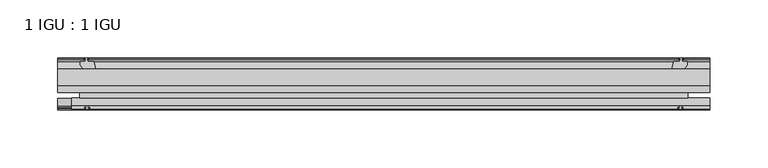
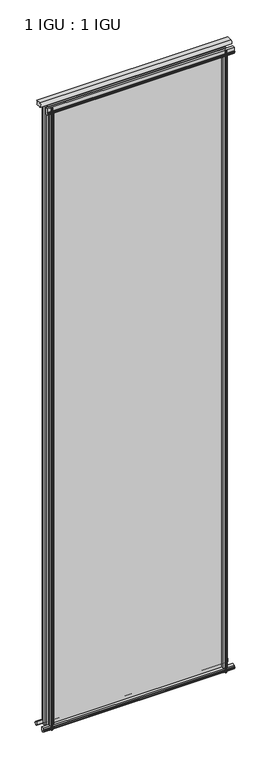
"""IFC4 building model written with IfcOpenShell, lengths in millimetres: plate geometry, 1 IGU : 1 IGU."""

from ifc_helpers import new_model, si_unit, point, frame, frame_2d, origin, place, context, project, spatial, polyline, circle_curve, trimmed, segment, composite_curve, outline, extrude, source, transform, mapped, element, save


def plate_1_igu_1_igu_069ce1c6(model_context):
    return source(origin(), model_context, "Body", "SweptSolid", [
        extrude(outline(polyline([(-263.5250001, -38.6468937), (263.5250001, -38.6468937), (263.5250001, -44.9460938), (-263.5250001, -44.9460938), (-263.5250001, -38.6468937)])), frame((0.0, 0.0, -12.7), z_axis=(0.0, 0.0, 1.0), x_axis=(1.0, 0.0, 0.0)), (0.0, 0.0, 1.0), 1944.7764181),
        extrude(outline(polyline([(-263.5250001, -19.5460937), (263.5250001, -19.5460937), (263.5250001, -25.8960938), (-263.5250001, -25.8960938), (-263.5250001, -19.5460937)])), frame((0.0, 0.0, -12.7), z_axis=(0.0, 0.0, 1.0), x_axis=(1.0, 0.0, 0.0)), (0.0, 0.0, 1.0), 1944.7764181),
        extrude(outline(polyline([(-44.9460937, 1.7177181), (-44.9460937, -9.1036578), (-48.3496937, -11.938), (-51.2960937, -11.938), (-51.2960937, -7.493), (-53.6762907, -7.112), (-53.2163575, -8.5275291), (-54.0175717, -8.5275291), (-54.7250937, -6.35), (-54.0175717, -4.1724709), (-53.2163575, -4.1724709), (-53.6762907, -5.588), (-51.2960937, -5.207), (-51.2960937, 0.0), (-44.9460937, 1.7177181)])), frame((-282.5750001, 0.0, 0.0), z_axis=(1.0, 0.0, 0.0), x_axis=(0.0, 1.0, 0.0)), (0.0, 0.0, 1.0), 565.1500002),
        extrude(outline(polyline([(-13.1960937, -12.4587), (-16.1424937, -12.4587), (-19.5460937, -9.6243578), (-19.5460937, 1.1970181), (-13.1960937, -0.5207), (-13.1960937, -5.7277), (-10.8158968, -6.1087), (-11.27583, -4.6931709), (-10.4746158, -4.6931709), (-9.7670937, -6.8707), (-10.4746158, -9.0482291), (-11.27583, -9.0482291), (-10.8158968, -7.6327), (-13.1960937, -8.0137), (-13.1960937, -12.4587)])), frame((-282.5750001, 0.0, 0.0), z_axis=(1.0, 0.0, 0.0), x_axis=(0.0, 1.0, 0.0)), (0.0, 0.0, 1.0), 565.1500002),
        extrude(outline(composite_curve([segment(polyline([(-44.9380025, 1912.9385159), (-51.2960937, 1912.9385159), (-51.2960937, 1917.7645159), (-54.1955564, 1917.7645159), (-54.8194621, 1918.7418083)]), True, "CONTINUOUS"), segment(trimmed(circle_curve(frame_2d((-53.9630937, 1919.2885159)), 1.016), [point((-54.8194621, 1918.7418083))], [point((-54.8194621, 1919.8352235))], False, "CARTESIAN"), True, "CONTINUOUS"), segment(polyline([(-54.8194621, 1919.8352235), (-54.1955564, 1920.8125159), (-51.2878033, 1920.8125159), (-51.2916866, 1931.9771994), (-44.9380025, 1931.9771994), (-44.9380025, 1912.9385159)]), True, "CONTINUOUS")], self_intersect=False)), frame((-270.3172939, 0.0, 0.0), z_axis=(1.0, 0.0, 0.0), x_axis=(0.0, 1.0, 0.0)), (0.0, 0.0, 1.0), 552.892294),
        extrude(outline(polyline([(249.627982, -19.5460938), (251.3457001, -13.1960938), (256.5527001, -13.1960938), (256.9337001, -10.8158968), (255.518171, -11.27583), (255.518171, -10.4746158), (257.6957001, -9.7670938), (259.8732291, -10.4746158), (259.8732291, -11.27583), (258.4577001, -10.8158968), (258.8387001, -13.1960938), (263.2837001, -13.1960938), (263.2837001, -16.1424938), (260.4493579, -19.5460938), (249.627982, -19.5460938)])), frame((0.0, 0.0, -12.7), z_axis=(0.0, 0.0, 1.0), x_axis=(1.0, 0.0, 0.0)), (0.0, 0.0, 1.0), 1944.7764183),
        extrude(outline(polyline([(249.107282, -44.9460938), (259.9286579, -44.9460938), (262.7630001, -48.3496938), (262.7630001, -51.2960938), (258.3180001, -51.2960938), (257.9370001, -53.6762907), (259.3525291, -53.2163575), (259.3525291, -54.0175717), (257.1750001, -54.7250938), (254.997471, -54.0175717), (254.997471, -53.2163575), (256.4130001, -53.6762907), (256.0320001, -51.2960938), (250.8250001, -51.2960938), (249.107282, -44.9460938)])), frame((0.0, 0.0, -12.7), z_axis=(0.0, 0.0, 1.0), x_axis=(1.0, 0.0, 0.0)), (0.0, 0.0, 1.0), 1944.7764183),
        extrude(outline(polyline([(-257.6957001, -9.7670937), (-255.518171, -10.4746158), (-255.518171, -11.27583), (-256.9337001, -10.8158968), (-256.5527001, -13.1960937), (-251.3457001, -13.1960937), (-249.627982, -19.5460937), (-260.4493579, -19.5460937), (-263.2837001, -16.1424937), (-263.2837001, -13.1960937), (-258.8387001, -13.1960937), (-258.4577001, -10.8158968), (-259.8732291, -11.27583), (-259.8732291, -10.4746158), (-257.6957001, -9.7670937)])), frame((0.0, 0.0, -12.7), z_axis=(0.0, 0.0, 1.0), x_axis=(1.0, 0.0, 0.0)), (0.0, 0.0, 1.0), 1944.7764183),
        extrude(outline(polyline([(-262.7630001, -48.3496937), (-259.9286579, -44.9460937), (-249.107282, -44.9460937), (-250.8250001, -51.2960937), (-256.0320001, -51.2960937), (-256.4130001, -53.6762907), (-254.997471, -53.2163575), (-254.997471, -54.0175717), (-257.1750001, -54.7250937), (-259.3525291, -54.0175717), (-259.3525291, -53.2163575), (-257.9370001, -53.6762907), (-258.3180001, -51.2960937), (-262.7630001, -51.2960937), (-262.7630001, -48.3496937)])), frame((0.0, 0.0, -12.7), z_axis=(0.0, 0.0, 1.0), x_axis=(1.0, 0.0, 0.0)), (0.0, 0.0, 1.0), 1944.7764183),
        extrude(outline(composite_curve([segment(trimmed(circle_curve(frame_2d((-9.2245666, 1938.3899974)), 12.1106873), [point((-19.5460937, 1944.7252026))], [point((-19.5460937, 1932.0547922))], True, "CARTESIAN"), True, "CONTINUOUS"), segment(polyline([(-19.5460937, 1932.0547922), (-33.8757421, 1932.0547922)]), True, "CONTINUOUS"), segment(trimmed(circle_curve(frame_2d((-33.8757421, 1938.3899974)), 6.3352052), [point((-33.8757421, 1932.0547922))], [point((-33.8757421, 1944.7252026))], False, "CARTESIAN"), True, "CONTINUOUS"), segment(polyline([(-33.8757421, 1944.7252026), (-19.5460937, 1944.7252026)]), True, "CONTINUOUS")], self_intersect=False)), frame((-282.5750001, 0.0, 0.0), z_axis=(1.0, 0.0, 0.0), x_axis=(0.0, 1.0, 0.0)), (0.0, 0.0, 1.0), 565.1500002),
    ])


if __name__ == "__main__":
    model = new_model("IFC4")
    model_context = context("Model", 3, world=origin())
    ifc_project = project(units=[si_unit("LENGTHUNIT", "METRE", prefix="MILLI")], contexts=[model_context])
    site = spatial("IfcSite", under=ifc_project)
    building = spatial("IfcBuilding", under=site)
    placement = place(None, origin())
    plate_1_igu_1_igu_shape = plate_1_igu_1_igu_069ce1c6(model_context)
    element("IfcPlate", 1, ObjectType="1 IGU : 1 IGU", at=placement, inside=building, context=model_context, shape_type="MappedRepresentation", body=[
        mapped(plate_1_igu_1_igu_shape, transform((0.0, 0.0, 0.0), x_axis=(1.0, 0.0, 0.0), y_axis=(0.0, 1.0, 0.0), z_axis=(0.0, 0.0, 1.0))),
    ])
    save(model, "model.ifc")
